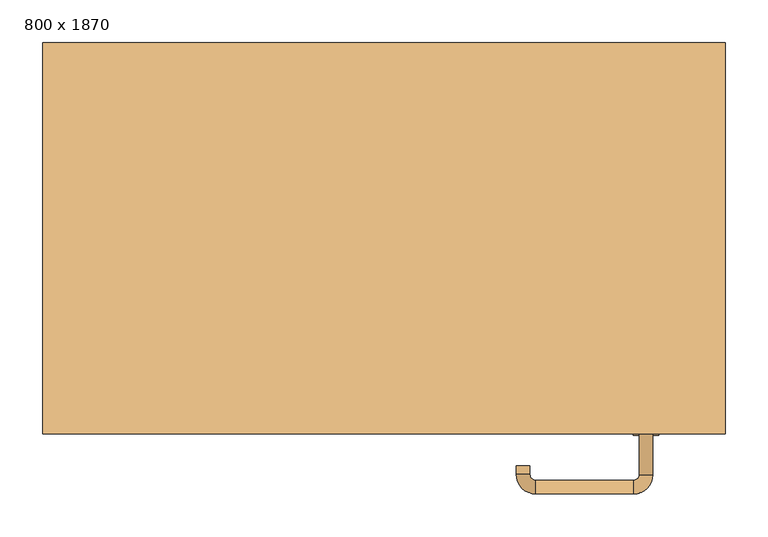
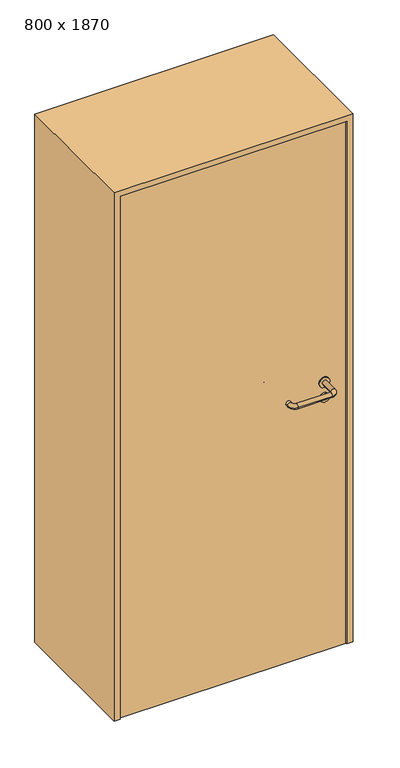
"""IFC4 building model written with IfcOpenShell, lengths in millimetres: door geometry, 800 x 1870."""

import ifcopenshell
import ifcopenshell.guid

model = None  # the IFC model being written
_history = None  # IfcOwnerHistory: only IFC2X3 demands one
_inside = {}  # id of a spatial element -> (the spatial element, [elements in it])
_under = {}  # id of a project, library or spatial element -> (it, [spatial elements below it])
_declared = {}  # id of a project -> (the project, [libraries it declares])
_typed = {}  # id of a type object -> (the type object, [elements of that type])
_made_of = {}  # id of a material, layer set ... -> (it, [elements and type objects made of it])


def new_model(schema):
    """Start an empty IFC model of exactly this schema.

    Asked for "IFC4X3", IfcOpenShell would pick the latest addendum, in which some entities
    have other attributes; the version numbers below select the first issue.
    IFC2X3 requires an IfcOwnerHistory on every rooted entity: one is made here for all.
    """
    global model, _history
    if schema == "IFC4X3":
        model = ifcopenshell.file(schema_version=(4, 3, 0, 0))
    else:
        model = ifcopenshell.file(schema=schema)
    _inside.clear()
    _under.clear()
    _declared.clear()
    _typed.clear()
    _made_of.clear()
    _history = None
    if model.schema == "IFC2X3":
        org = make("IfcOrganization", Name="unknown")
        user = make(
            "IfcPersonAndOrganization",
            ThePerson=make("IfcPerson", FamilyName="unknown"),
            TheOrganization=org,
        )
        app = make(
            "IfcApplication",
            ApplicationDeveloper=org,
            Version="unknown",
            ApplicationFullName="unknown",
            ApplicationIdentifier="unknown",
        )
        _history = make(
            "IfcOwnerHistory",
            OwningUser=user,
            OwningApplication=app,
            ChangeAction="ADDED",
            CreationDate=0,
        )
    return model


def make(cls, **values):
    """One entity of the class cls with the attributes given. An attribute that is None is left unset."""
    return model.create_entity(
        cls, **{name: value for name, value in values.items() if value is not None}
    )


def rooted(cls, **values):
    """An entity with a GlobalId (a new one), such as an element, a storey or a relation."""
    return make(cls, GlobalId=ifcopenshell.guid.new(), OwnerHistory=_history, **values)


def si_unit(unit_type, name, prefix=None):
    """IfcSIUnit, for example si_unit("LENGTHUNIT", "METRE", prefix="MILLI")."""
    return make("IfcSIUnit", UnitType=unit_type, Prefix=prefix, Name=name)


def assignment(units):
    """IfcUnitAssignment: the units of a project."""
    return None if units is None else make("IfcUnitAssignment", Units=units)


def point(xyz):
    """IfcCartesianPoint."""
    return None if xyz is None else make("IfcCartesianPoint", Coordinates=xyz)


def direction(xyz):
    """IfcDirection."""
    return None if xyz is None else make("IfcDirection", DirectionRatios=xyz)


def frame(location, z_axis=None, x_axis=None):
    """IfcAxis2Placement3D, a coordinate frame: its origin and axes. An axis left out is left unset."""
    return make(
        "IfcAxis2Placement3D",
        Location=point(location),
        Axis=direction(z_axis),
        RefDirection=direction(x_axis),
    )


def frame_2d(location, x_axis=None):
    """IfcAxis2Placement2D, a coordinate frame in the plane: its origin and x axis."""
    return make(
        "IfcAxis2Placement2D", Location=point(location), RefDirection=direction(x_axis)
    )


def origin():
    """The frame at (0, 0, 0) with its axes left unset."""
    return frame((0.0, 0.0, 0.0))


def origin_with_axes():
    """The frame at (0, 0, 0) with the z axis (0, 0, 1) and the x axis (1, 0, 0) written out."""
    return frame((0.0, 0.0, 0.0), z_axis=(0.0, 0.0, 1.0), x_axis=(1.0, 0.0, 0.0))


def place(relative_to, where):
    """IfcLocalPlacement: puts the frame where relative to a parent placement (None: the world)."""
    return make(
        "IfcLocalPlacement", PlacementRelTo=relative_to, RelativePlacement=where
    )


def context(
    kind, dimensions, precision=None, world=None, true_north=None, identifier=None
):
    """IfcGeometricRepresentationContext, for example the 3D "Model" context."""
    return make(
        "IfcGeometricRepresentationContext",
        ContextIdentifier=identifier,
        ContextType=kind,
        CoordinateSpaceDimension=dimensions,
        Precision=precision,
        WorldCoordinateSystem=world,
        TrueNorth=true_north,
    )


def project(units=None, contexts=None):
    """IfcProject with its units and contexts."""
    return rooted(
        "IfcProject",
        Name="project",
        RepresentationContexts=contexts,
        UnitsInContext=assignment(units),
    )


def spatial(cls, under=None, at=None, **own):
    """A site, building, storey or space (cls), placed at a placement, below another one or the project."""
    s = rooted(cls, ObjectPlacement=at, **own)
    if under is not None:
        _under.setdefault(under.id(), (under, []))[1].append(s)
    return s


def polyline(points):
    """IfcPolyline through the points."""
    return make("IfcPolyline", Points=[point(p) for p in points])


def circle_curve(where, radius):
    """IfcCircle in the frame where."""
    return make("IfcCircle", Position=where, Radius=radius)


def ellipse_curve(where, semi_axis1, semi_axis2):
    """IfcEllipse in the frame where."""
    return make(
        "IfcEllipse", Position=where, SemiAxis1=semi_axis1, SemiAxis2=semi_axis2
    )


def trimmed(basis, trim1, trim2, sense, master):
    """IfcTrimmedCurve: the piece of a basis curve between two trims."""
    return make(
        "IfcTrimmedCurve",
        BasisCurve=basis,
        Trim1=trim1,
        Trim2=trim2,
        SenseAgreement=sense,
        MasterRepresentation=master,
    )


def segment(curve, same_sense, transition):
    """IfcCompositeCurveSegment."""
    return make(
        "IfcCompositeCurveSegment",
        Transition=transition,
        SameSense=same_sense,
        ParentCurve=curve,
    )


def composite_curve(segments, self_intersect=None):
    """IfcCompositeCurve: segments joined end to end."""
    return make("IfcCompositeCurve", Segments=segments, SelfIntersect=self_intersect)


def outline(outer, holes=None, kind="AREA"):
    """IfcArbitraryClosedProfileDef: a profile drawn as a closed curve; with holes, ...WithVoids."""
    if holes is None:
        return make("IfcArbitraryClosedProfileDef", ProfileType=kind, OuterCurve=outer)
    return make(
        "IfcArbitraryProfileDefWithVoids",
        ProfileType=kind,
        OuterCurve=outer,
        InnerCurves=holes,
    )


def extrude(swept, where, along, depth):
    """IfcExtrudedAreaSolid: the profile swept, set in the frame where, extruded along a direction by depth."""
    return make(
        "IfcExtrudedAreaSolid",
        SweptArea=swept,
        Position=where,
        ExtrudedDirection=direction(along),
        Depth=depth,
    )


def shape(context_of_items, identifier, shape_type, items):
    """IfcShapeRepresentation: the items that make up one representation, for example the "Body"."""
    return make(
        "IfcShapeRepresentation",
        ContextOfItems=context_of_items,
        RepresentationIdentifier=identifier,
        RepresentationType=shape_type,
        Items=items,
    )


def source(mapping_origin, context_of_items, identifier, shape_type, items):
    """IfcRepresentationMap: a shape defined once, which mapped items show again and again."""
    return make(
        "IfcRepresentationMap",
        MappingOrigin=mapping_origin,
        MappedRepresentation=shape(context_of_items, identifier, shape_type, items),
    )


def transform(
    local_origin,
    x_axis=None,
    y_axis=None,
    z_axis=None,
    scale=None,
    scale2=None,
    scale3=None,
    uniform=True,
):
    """IfcCartesianTransformationOperator3D, or its non-uniform kind. x_axis, y_axis, z_axis: its Axis1, 2, 3."""
    if uniform:
        return make(
            "IfcCartesianTransformationOperator3D",
            Axis1=direction(x_axis),
            Axis2=direction(y_axis),
            LocalOrigin=point(local_origin),
            Scale=scale,
            Axis3=direction(z_axis),
        )
    return make(
        "IfcCartesianTransformationOperator3DnonUniform",
        Axis1=direction(x_axis),
        Axis2=direction(y_axis),
        LocalOrigin=point(local_origin),
        Scale=scale,
        Axis3=direction(z_axis),
        Scale2=scale2,
        Scale3=scale3,
    )


def mapped(mapping_source, mapping_target):
    """IfcMappedItem: shows the shape of a source again, moved by a transform."""
    return make(
        "IfcMappedItem", MappingSource=mapping_source, MappingTarget=mapping_target
    )


def made_of(thing, what):
    """Note that an element or type object is made of a material, layer set ...; save() writes the relation."""
    if what is not None:
        _made_of.setdefault(what.id(), (what, []))[1].append(thing)
    return thing


def element(
    cls,
    number,
    at=None,
    inside=None,
    cuts=None,
    type_object=None,
    material=None,
    context=None,
    identifier="Body",
    shape_type=None,
    held_by="IfcProductDefinitionShape",
    body=None,
    shapes=None,
    **own,
):
    """One element of the class cls, such as IfcWall. Its Tag is "e" and its number.

    at: its placement. inside: the storey or other place that contains it. cuts: it is an
    opening in that element (IfcRelVoidsElement). A single representation is given by context,
    identifier, shape_type and body (its items); several are given by shapes. held_by: the class
    of the entity that holds the representations. save() writes the other relations.
    """
    e = rooted(cls, Tag="e%d" % number, ObjectPlacement=at, **own)
    if body is not None:
        shapes = [shape(context, identifier, shape_type, body)]
    if shapes is not None:
        e.Representation = make(held_by, Representations=shapes)
    if inside is not None:
        _inside.setdefault(inside.id(), (inside, []))[1].append(e)
    if cuts is not None:
        rooted(
            "IfcRelVoidsElement", RelatingBuildingElement=cuts, RelatedOpeningElement=e
        )
    if type_object is not None:
        _typed.setdefault(type_object.id(), (type_object, []))[1].append(e)
    return made_of(e, material)


def aggregate(whole, parts):
    """IfcRelAggregates: a whole, such as a stair, and the parts it consists of."""
    return rooted("IfcRelAggregates", RelatingObject=whole, RelatedObjects=parts)


def save(model, path):
    """Write the relations noted so far, then the file.

    IfcRelAggregates (storeys below a building ...), IfcRelContainedInSpatialStructure (elements
    in a storey), IfcRelDefinesByType, IfcRelAssociatesMaterial and IfcRelDeclares: one each for
    every whole, place, type object, material and project.
    """
    for whole, parts in _under.values():
        aggregate(whole, parts)
    for where, things in _inside.values():
        rooted(
            "IfcRelContainedInSpatialStructure",
            RelatedElements=things,
            RelatingStructure=where,
        )
    for kind, things in _typed.values():
        rooted("IfcRelDefinesByType", RelatedObjects=things, RelatingType=kind)
    for what, things in _made_of.values():
        rooted("IfcRelAssociatesMaterial", RelatedObjects=things, RelatingMaterial=what)
    for by, libraries in _declared.values():
        rooted("IfcRelDeclares", RelatingContext=by, RelatedDefinitions=libraries)
    model.write(path)


def plane_surface(at):
    """IfcPlane: the flat surface through the origin of the frame at, square to its z axis."""
    return make("IfcPlane", Position=at)


def cylinder_surface(at, radius):
    """IfcCylindricalSurface: all points at the distance radius from the z axis of the frame at."""
    return make("IfcCylindricalSurface", Position=at, Radius=radius)


def revolved_surface(curve, axis_point, axis_direction):
    """IfcSurfaceOfRevolution: the curve turned about the line through axis_point along axis_direction."""
    return make(
        "IfcSurfaceOfRevolution",
        SweptCurve=make("IfcArbitraryOpenProfileDef", ProfileType="CURVE", Curve=curve),
        AxisPosition=make("IfcAxis1Placement", Location=point(axis_point), Axis=direction(axis_direction)),
    )


def advanced_brep(points, edges, surfaces, faces):
    """IfcAdvancedBrep: a solid bounded by faces that lie on surfaces and meet in shared edges.

    An edge is (start, end): straight between two places in points (the first is 0);
    or (start, end, curve); or (start, end, curve, False) where it runs against its curve.
    A face is (place in surfaces, loops), or (place, loops, False) where it looks against
    its surface's normal. A loop lists edges by number (the first is 1), with a minus sign
    where the edge is run from its end to its start. The first loop is the outer one.
    """
    corners = [point(p) for p in points]
    vertices = [make("IfcVertexPoint", VertexGeometry=c) for c in corners]
    made = []
    for start, end, *more in edges:
        made.append(
            make(
                "IfcEdgeCurve",
                EdgeStart=vertices[start],
                EdgeEnd=vertices[end],
                EdgeGeometry=more[0] if more else make("IfcPolyline", Points=[corners[start], corners[end]]),
                SameSense=more[1] if len(more) > 1 else True,
            )
        )
    hull = []
    for where, loops, *sense in faces:
        bounds = []
        for j, loop in enumerate(loops):
            ring = [make("IfcOrientedEdge", EdgeElement=made[abs(k) - 1], Orientation=k > 0) for k in loop]
            bounds.append(
                make(
                    "IfcFaceOuterBound" if j == 0 else "IfcFaceBound",
                    Bound=make("IfcEdgeLoop", EdgeList=ring),
                    Orientation=True,
                )
            )
        hull.append(make("IfcAdvancedFace", Bounds=bounds, FaceSurface=surfaces[where], SameSense=sense[0] if sense else True))
    return make("IfcAdvancedBrep", Outer=make("IfcClosedShell", CfsFaces=hull))


def door_800_x_1870_e88a6109(model_context):
    return source(origin(), model_context, "Body", "SolidModel", [
        extrude(outline(composite_curve([segment(trimmed(circle_curve(frame_2d((897.3605726, 307.0)), 15.0), [point((897.3605726, 322.0))], [point((897.3605726, 292.0))], False, "CARTESIAN"), True, "CONTINUOUS"), segment(trimmed(circle_curve(frame_2d((897.3605726, 307.0)), 15.0), [point((897.3605726, 292.0))], [point((897.3605726, 322.0))], False, "CARTESIAN"), True, "CONTINUOUS")], self_intersect=False), holes=[composite_curve([segment(trimmed(circle_curve(frame_2d((892.5833211, 306.9398032)), 2.0), [point((892.5833211, 308.9398032))], [point((892.5833211, 304.9398032))], True, "CARTESIAN"), True, "CONTINUOUS"), segment(polyline([(892.5833211, 304.9398032), (902.5833211, 304.9398032)]), True, "CONTINUOUS"), segment(trimmed(circle_curve(frame_2d((902.5833211, 306.9398032)), 2.0), [point((902.5833211, 304.9398032))], [point((902.5833211, 308.9398032))], True, "CARTESIAN"), True, "CONTINUOUS"), segment(polyline([(902.5833211, 308.9398032), (892.5833211, 308.9398032)]), True, "CONTINUOUS")], self_intersect=False)]), frame((0.0, -195.0, 0.0), z_axis=(0.0, 1.0, 0.0), x_axis=(0.0, 0.0, 1.0)), (0.0, 0.0, 1.0), 6.35),
        extrude(outline(composite_curve([segment(trimmed(circle_curve(frame_2d((950.0, 307.0)), 17.526), [point((950.0, 324.526))], [point((950.0, 289.474))], False, "CARTESIAN"), True, "CONTINUOUS"), segment(trimmed(circle_curve(frame_2d((950.0, 307.0)), 17.526), [point((950.0, 289.474))], [point((950.0, 324.526))], False, "CARTESIAN"), True, "CONTINUOUS")], self_intersect=False)), frame((0.0, -195.0, 0.0), z_axis=(0.0, 1.0, 0.0), x_axis=(0.0, 0.0, 1.0)), (0.0, 0.0, 1.0), 3.175),
        advanced_brep(
        [(315.0, -195.0, 950.0), (299.0, -195.0, 950.0), (315.0, -142.0, 950.0), (299.0, -142.0, 950.0), (292.8578644, -135.8578644, 950.0), (292.8578644, -119.8578644, 950.0), (177.8578644, -119.8578644, 950.0), (177.8578644, -135.8578644, 950.0), (171.008622, -142.7071068, 950.0), (155.008622, -142.7071068, 950.0), (155.008622, -152.7071068, 950.0), (171.008622, -152.7071068, 950.0)],
        [
            (0, 1, circle_curve(frame((307.0, -195.0, 950.0), z_axis=(0.0, -1.0, 0.0), x_axis=(-1.0, 0.0, 0.0)), 8.0)),
            (1, 0, circle_curve(frame((307.0, -195.0, 950.0), z_axis=(0.0, -1.0, 0.0), x_axis=(-1.0, 0.0, 0.0)), 8.0)),
            (0, 2),
            (2, 3, circle_curve(frame((307.0, -142.0, 950.0), z_axis=(0.0, -1.0, 0.0), x_axis=(-1.0, 0.0, 0.0)), 8.0)),
            (3, 1),
            (3, 2, circle_curve(frame((307.0, -142.0, 950.0), z_axis=(0.0, -1.0, 0.0), x_axis=(-1.0, 0.0, 0.0)), 8.0)),
            (4, 3, circle_curve(frame((292.8578644, -142.0, 950.0), z_axis=(0.0, 0.0, -1.0), x_axis=(1.0, 0.0, 0.0)), 6.1421356)),
            (2, 5, circle_curve(frame((292.8578644, -142.0, 950.0), z_axis=(0.0, 0.0, 1.0), x_axis=(1.0, 0.0, 0.0)), 22.1421356)),
            (5, 4, circle_curve(frame((292.8578644, -127.8578644, 950.0), z_axis=(1.0, 0.0, 0.0), x_axis=(0.0, -1.0, 0.0)), 8.0)),
            (4, 5, circle_curve(frame((292.8578644, -127.8578644, 950.0), z_axis=(1.0, 0.0, 0.0), x_axis=(0.0, -1.0, 0.0)), 8.0)),
            (5, 6),
            (6, 7, circle_curve(frame((177.8578644, -127.8578644, 950.0), z_axis=(1.0, 0.0, 0.0), x_axis=(0.0, -1.0, 0.0)), 8.0)),
            (7, 4),
            (7, 6, circle_curve(frame((177.8578644, -127.8578644, 950.0), z_axis=(1.0, 0.0, 0.0), x_axis=(0.0, -1.0, 0.0)), 8.0)),
            (8, 7, circle_curve(frame((177.8578644, -142.7071068, 950.0), z_axis=(0.0, 0.0, -1.0), x_axis=(0.0, 1.0, 0.0)), 6.8492424)),
            (6, 9, circle_curve(frame((177.8578644, -142.7071068, 950.0), z_axis=(0.0, 0.0, 1.0), x_axis=(0.0, 1.0, 0.0)), 22.8492424)),
            (9, 8, circle_curve(frame((163.008622, -142.7071068, 950.0), z_axis=(0.0, 1.0, 0.0), x_axis=(1.0, 0.0, 0.0)), 8.0)),
            (8, 9, circle_curve(frame((163.008622, -142.7071068, 950.0), z_axis=(0.0, 1.0, 0.0), x_axis=(1.0, 0.0, 0.0)), 8.0)),
            (10, 11, circle_curve(frame((163.008622, -152.7071068, 950.0), z_axis=(0.0, -1.0, 0.0), x_axis=(1.0, 0.0, 0.0)), 8.0)),
            (11, 10, circle_curve(frame((163.008622, -152.7071068, 950.0), z_axis=(0.0, -1.0, 0.0), x_axis=(1.0, 0.0, 0.0)), 8.0)),
            (9, 10),
            (11, 8),
        ],
        [
            plane_surface(frame((307.0, -195.0, 0.0), z_axis=(0.0, -1.0, 0.0), x_axis=(0.0, 0.0, 1.0))),
            cylinder_surface(frame((307.0, -195.0, 950.0), z_axis=(0.0, -1.0, 0.0), x_axis=(-1.0, 0.0, 0.0)), 8.0),
            revolved_surface(trimmed(ellipse_curve(frame((307.0, -142.0, 950.0), z_axis=(0.0, -1.0, 0.0), x_axis=(-1.0, 0.0, 0.0)), 8.0, 8.0), [point((315.0, -142.0, 950.0))], [point((299.0, -142.0, 950.0))], True, "CARTESIAN"), (292.8578644, -142.0, 0.0), (0.0, 0.0, 1.0)),
            revolved_surface(trimmed(ellipse_curve(frame((307.0, -142.0, 950.0), z_axis=(0.0, -1.0, 0.0), x_axis=(-1.0, 0.0, 0.0)), 8.0, 8.0), [point((299.0, -142.0, 950.0))], [point((315.0, -142.0, 950.0))], True, "CARTESIAN"), (292.8578644, -142.0, 0.0), (0.0, 0.0, 1.0)),
            cylinder_surface(frame((292.8578644, -127.8578644, 950.0), z_axis=(1.0, 0.0, 0.0), x_axis=(0.0, -1.0, 0.0)), 8.0),
            revolved_surface(trimmed(ellipse_curve(frame((177.8578644, -127.8578644, 950.0), z_axis=(1.0, 0.0, 0.0), x_axis=(0.0, -1.0, 0.0)), 8.0, 8.0), [point((177.8578644, -119.8578644, 950.0))], [point((177.8578644, -135.8578644, 950.0))], True, "CARTESIAN"), (177.8578644, -142.7071068, 0.0), (0.0, 0.0, 1.0)),
            revolved_surface(trimmed(ellipse_curve(frame((177.8578644, -127.8578644, 950.0), z_axis=(1.0, 0.0, 0.0), x_axis=(0.0, -1.0, 0.0)), 8.0, 8.0), [point((177.8578644, -135.8578644, 950.0))], [point((177.8578644, -119.8578644, 950.0))], True, "CARTESIAN"), (177.8578644, -142.7071068, 0.0), (0.0, 0.0, 1.0)),
            plane_surface(frame((163.008622, -152.7071068, 0.0), z_axis=(0.0, -1.0, 0.0), x_axis=(0.0, 0.0, 1.0))),
            cylinder_surface(frame((163.008622, -142.7071068, 950.0), z_axis=(0.0, 1.0, 0.0), x_axis=(1.0, 0.0, 0.0)), 8.0),
        ],
        [
            (0, [[1, 2]]),
            (1, [[-1, 3, 4, 5]]),
            (1, [[-2, -5, 6, -3]]),
            (2, [[7, -4, 8, 9]]),
            (3, [[-8, -6, -7, 10]]),
            (4, [[-9, 11, 12, 13]]),
            (4, [[-10, -13, 14, -11]]),
            (5, [[15, -12, 16, 17]]),
            (6, [[-16, -14, -15, 18]]),
            (7, [[19, 20]]),
            (8, [[-17, 21, -20, 22]]),
            (8, [[-18, -22, -19, -21]]),
        ],
    ),
        extrude(outline(composite_curve([segment(trimmed(circle_curve(frame_2d((0.0, 15.0)), 15.0), [point((0.0, 30.0))], [point((0.0, 0.0))], False, "CARTESIAN"), True, "CONTINUOUS"), segment(trimmed(circle_curve(frame_2d((0.0, 15.0)), 15.0), [point((0.0, 0.0))], [point((0.0, 30.0))], False, "CARTESIAN"), True, "CONTINUOUS")], self_intersect=False), holes=[composite_curve([segment(trimmed(circle_curve(frame_2d((-4.7772515, 14.9398032)), 2.0), [point((-4.7772515, 16.9398032))], [point((-4.7772515, 12.9398032))], True, "CARTESIAN"), True, "CONTINUOUS"), segment(polyline([(-4.7772515, 12.9398032), (5.2227485, 12.9398032)]), True, "CONTINUOUS"), segment(trimmed(circle_curve(frame_2d((5.2227485, 14.9398032)), 2.0), [point((5.2227485, 12.9398032))], [point((5.2227485, 16.9398032))], True, "CARTESIAN"), True, "CONTINUOUS"), segment(polyline([(5.2227485, 16.9398032), (-4.7772515, 16.9398032)]), True, "CONTINUOUS")], self_intersect=False)]), frame((292.0, -231.35, 897.3605726), z_axis=(-1.8870575173328306e-12, 1.0, 0.0), x_axis=(0.0, 0.0, 1.0)), (0.0, 0.0, 1.0), 6.35),
        extrude(outline(composite_curve([segment(trimmed(circle_curve(frame_2d((0.0, 17.526)), 17.526), [point((0.0, 35.052))], [point((0.0, 0.0))], False, "CARTESIAN"), True, "CONTINUOUS"), segment(trimmed(circle_curve(frame_2d((0.0, 17.526)), 17.526), [point((0.0, 0.0))], [point((0.0, 35.052))], False, "CARTESIAN"), True, "CONTINUOUS")], self_intersect=False)), frame((289.474, -228.175, 950.0), z_axis=(-1.8870575173328306e-12, 1.0, 0.0), x_axis=(0.0, 0.0, 1.0)), (0.0, 0.0, 1.0), 3.175),
        advanced_brep(
        [(315.0, -225.0, 950.0), (299.0, -225.0, 950.0), (299.0, -278.0, 950.0), (315.0, -278.0, 950.0), (292.8578644, -284.1421356, 950.0), (292.8578644, -300.1421356, 950.0), (177.8578644, -284.1421356, 950.0), (177.8578644, -300.1421356, 950.0), (171.008622, -277.2928932, 950.0), (155.008622, -277.2928932, 950.0), (155.008622, -267.2928932, 950.0), (171.008622, -267.2928932, 950.0)],
        [
            (0, 1, circle_curve(frame((307.0, -225.0, 950.0), z_axis=(-1.888672253512351e-12, 1.0, 0.0), x_axis=(-1.0, -1.888672253512351e-12, 0.0)), 8.0)),
            (1, 0, circle_curve(frame((307.0, -225.0, 950.0), z_axis=(-1.888672253512351e-12, 1.0, 0.0), x_axis=(-1.0, -1.888672253512351e-12, 0.0)), 8.0)),
            (1, 2),
            (2, 3, circle_curve(frame((307.0, -278.0, 950.0), z_axis=(-1.888672253512351e-12, 1.0, 0.0), x_axis=(-1.0, -1.888672253512351e-12, 0.0)), 8.0)),
            (3, 0),
            (3, 2, circle_curve(frame((307.0, -278.0, 950.0), z_axis=(-1.888672253512351e-12, 1.0, 0.0), x_axis=(-1.0, -1.888672253512351e-12, 0.0)), 8.0)),
            (4, 5, circle_curve(frame((292.8578644, -292.1421356, 950.0), z_axis=(1.0, 1.913702061528922e-12, 0.0), x_axis=(-1.913702061528922e-12, 1.0, 0.0)), 8.0)),
            (5, 3, circle_curve(frame((292.8578644, -278.0, 950.0), z_axis=(0.0, 0.0, 1.0), x_axis=(1.0, 1.880717803715015e-12, 0.0)), 22.1421356)),
            (2, 4, circle_curve(frame((292.8578644, -278.0, 950.0), z_axis=(0.0, 0.0, -1.0), x_axis=(1.0, 1.880717803715015e-12, 0.0)), 6.1421356)),
            (5, 4, circle_curve(frame((292.8578644, -292.1421356, 950.0), z_axis=(1.0, 1.913702061528922e-12, 0.0), x_axis=(-1.913702061528922e-12, 1.0, 0.0)), 8.0)),
            (4, 6),
            (6, 7, circle_curve(frame((177.8578644, -292.1421356, 950.0), z_axis=(1.0, 1.913719828541269e-12, 0.0), x_axis=(-1.913719828541269e-12, 1.0, 0.0)), 8.0)),
            (7, 5),
            (7, 6, circle_curve(frame((177.8578644, -292.1421356, 950.0), z_axis=(1.0, 1.913719828541269e-12, 0.0), x_axis=(-1.913719828541269e-12, 1.0, 0.0)), 8.0)),
            (8, 9, circle_curve(frame((163.008622, -277.2928932, 950.0), z_axis=(1.8888942981172756e-12, -1.0, 0.0), x_axis=(1.0, 1.8888942981172756e-12, 0.0)), 8.0)),
            (9, 7, circle_curve(frame((177.8578644, -277.2928932, 950.0), z_axis=(0.0, 0.0, 1.0), x_axis=(1.9120873253494017e-12, -1.0, 0.0)), 22.8492424)),
            (6, 8, circle_curve(frame((177.8578644, -277.2928932, 950.0), z_axis=(0.0, 0.0, -1.0), x_axis=(1.9120873253494017e-12, -1.0, 0.0)), 6.8492424)),
            (9, 8, circle_curve(frame((163.008622, -277.2928932, 950.0), z_axis=(1.890448610351751e-12, -1.0, 0.0), x_axis=(1.0, 1.890448610351751e-12, 0.0)), 8.0)),
            (10, 11, circle_curve(frame((163.008622, -267.2928932, 950.0), z_axis=(-1.8903642334018795e-12, 1.0, 0.0), x_axis=(1.0, 1.8903642334018795e-12, 0.0)), 8.0)),
            (11, 10, circle_curve(frame((163.008622, -267.2928932, 950.0), z_axis=(-1.8903642334018795e-12, 1.0, 0.0), x_axis=(1.0, 1.8903642334018795e-12, 0.0)), 8.0)),
            (8, 11),
            (10, 9),
        ],
        [
            plane_surface(frame((307.0, -225.0, 0.0), z_axis=(-1.8870575173328306e-12, 1.0, 0.0), x_axis=(0.0, 0.0, 1.0))),
            cylinder_surface(frame((307.0, -225.0, 950.0), z_axis=(-1.888672253512351e-12, 1.0, 0.0), x_axis=(-1.0, -1.888672253512351e-12, 0.0)), 8.0),
            revolved_surface(trimmed(ellipse_curve(frame((307.0, -278.0, 950.0), z_axis=(1.8823325398945356e-12, -1.0, 0.0), x_axis=(-1.0, -1.8823325398945356e-12, 0.0)), 8.0, 8.0), [point((315.0, -278.0, 950.0))], [point((299.0, -278.0, 950.0))], True, "CARTESIAN"), (292.8578644, -278.0, 0.0), (0.0, 0.0, 1.0)),
            revolved_surface(trimmed(ellipse_curve(frame((307.0, -278.0, 950.0), z_axis=(1.8823325398945356e-12, -1.0, 0.0), x_axis=(-1.0, -1.8823325398945356e-12, 0.0)), 8.0, 8.0), [point((299.0, -278.0, 950.0))], [point((315.0, -278.0, 950.0))], True, "CARTESIAN"), (292.8578644, -278.0, 0.0), (0.0, 0.0, 1.0)),
            cylinder_surface(frame((292.8578644, -292.1421356, 950.0), z_axis=(1.0, 1.913719828541269e-12, 0.0), x_axis=(-1.913719828541269e-12, 1.0, 0.0)), 8.0),
            revolved_surface(trimmed(ellipse_curve(frame((177.8578644, -292.1421356, 950.0), z_axis=(-1.0, -1.913702061528922e-12, 0.0), x_axis=(-1.913702061528922e-12, 1.0, 0.0)), 8.0, 8.0), [point((177.8578644, -300.1421356, 950.0))], [point((177.8578644, -284.1421356, 950.0))], True, "CARTESIAN"), (177.8578644, -277.2928932, 0.0), (0.0, 0.0, 1.0)),
            revolved_surface(trimmed(ellipse_curve(frame((177.8578644, -292.1421356, 950.0), z_axis=(-1.0, -1.913702061528922e-12, 0.0), x_axis=(-1.913702061528922e-12, 1.0, 0.0)), 8.0, 8.0), [point((177.8578644, -284.1421356, 950.0))], [point((177.8578644, -300.1421356, 950.0))], True, "CARTESIAN"), (177.8578644, -277.2928932, 0.0), (0.0, 0.0, 1.0)),
            plane_surface(frame((163.008622, -267.2928932, 0.0), z_axis=(-1.8887494972223595e-12, 1.0, 0.0), x_axis=(0.0, 0.0, 1.0))),
            cylinder_surface(frame((163.008622, -277.2928932, 950.0), z_axis=(1.8903642334018795e-12, -1.0, 0.0), x_axis=(1.0, 1.8903642334018795e-12, 0.0)), 8.0),
        ],
        [
            (0, [[1, 2]]),
            (1, [[3, 4, 5, -2]]),
            (1, [[-5, 6, -3, -1]]),
            (2, [[7, 8, -4, 9]]),
            (3, [[10, -9, -6, -8]]),
            (4, [[11, 12, 13, -7]]),
            (4, [[-13, 14, -11, -10]]),
            (5, [[15, 16, -12, 17]]),
            (6, [[18, -17, -14, -16]]),
            (7, [[19, 20]]),
            (8, [[21, -19, 22, -15]]),
            (8, [[-22, -20, -21, -18]]),
        ],
    ),
        extrude(outline(polyline([(1850.0, 380.0), (0.0, 380.0), (0.0, 400.0), (1870.0, 400.0), (1870.0, -400.0), (0.0, -400.0), (0.0, -380.0), (1850.0, -380.0), (1850.0, 380.0)])), frame((0.0, -230.0, 0.0), z_axis=(0.0, 1.0, 0.0), x_axis=(0.0, 0.0, 1.0)), (0.0, 0.0, 1.0), 459.0),
        extrude(outline(polyline([(-380.0, -225.0), (-380.0, -195.0), (380.0, -195.0), (380.0, -225.0), (-380.0, -225.0)])), origin_with_axes(), (0.0, 0.0, 1.0), 1850.0),
    ])


if __name__ == "__main__":
    model = new_model("IFC4")
    model_context = context("Model", 3, world=origin())
    ifc_project = project(units=[si_unit("LENGTHUNIT", "METRE", prefix="MILLI")], contexts=[model_context])
    site = spatial("IfcSite", under=ifc_project)
    building = spatial("IfcBuilding", under=site)
    placement = place(None, origin())
    door_800_x_1870_shape = door_800_x_1870_e88a6109(model_context)
    element("IfcDoor", 1, ObjectType="800 x 1870", at=placement, inside=building, context=model_context, shape_type="MappedRepresentation", body=[
        mapped(door_800_x_1870_shape, transform((0.0, 0.0, 0.0), x_axis=(1.0, 0.0, 0.0), y_axis=(0.0, 1.0, 0.0), z_axis=(0.0, 0.0, 1.0))),
    ])
    save(model, "model.ifc")
